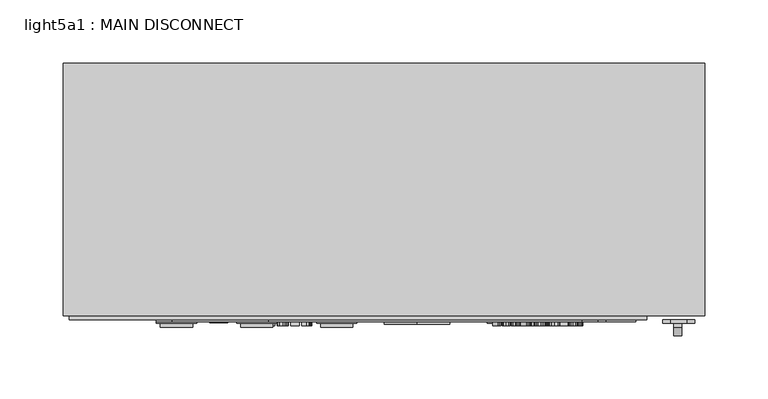
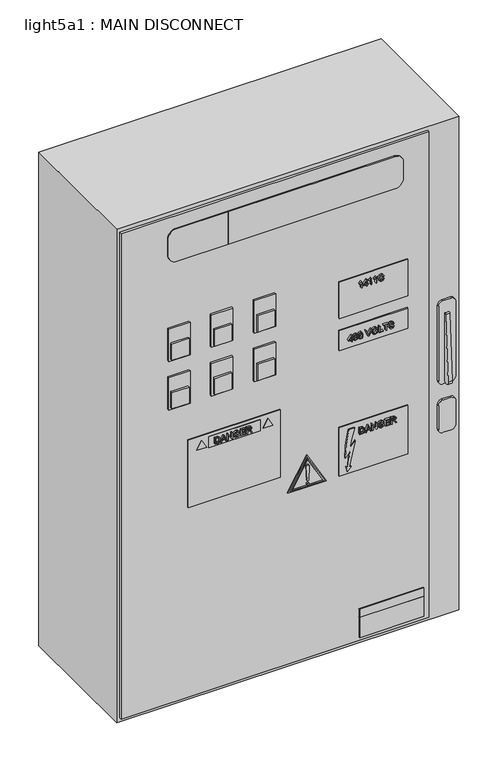
"""IFC4 building model written with IfcOpenShell, lengths in millimetres: proxy geometry, light5a1 : MAIN DISCONNECT."""

import ifcopenshell
import ifcopenshell.guid

model = None  # the IFC model being written
_history = None  # IfcOwnerHistory: only IFC2X3 demands one
_inside = {}  # id of a spatial element -> (the spatial element, [elements in it])
_under = {}  # id of a project, library or spatial element -> (it, [spatial elements below it])
_declared = {}  # id of a project -> (the project, [libraries it declares])
_typed = {}  # id of a type object -> (the type object, [elements of that type])
_made_of = {}  # id of a material, layer set ... -> (it, [elements and type objects made of it])


def new_model(schema):
    """Start an empty IFC model of exactly this schema.

    Asked for "IFC4X3", IfcOpenShell would pick the latest addendum, in which some entities
    have other attributes; the version numbers below select the first issue.
    IFC2X3 requires an IfcOwnerHistory on every rooted entity: one is made here for all.
    """
    global model, _history
    if schema == "IFC4X3":
        model = ifcopenshell.file(schema_version=(4, 3, 0, 0))
    else:
        model = ifcopenshell.file(schema=schema)
    _inside.clear()
    _under.clear()
    _declared.clear()
    _typed.clear()
    _made_of.clear()
    _history = None
    if model.schema == "IFC2X3":
        org = make("IfcOrganization", Name="unknown")
        user = make(
            "IfcPersonAndOrganization",
            ThePerson=make("IfcPerson", FamilyName="unknown"),
            TheOrganization=org,
        )
        app = make(
            "IfcApplication",
            ApplicationDeveloper=org,
            Version="unknown",
            ApplicationFullName="unknown",
            ApplicationIdentifier="unknown",
        )
        _history = make(
            "IfcOwnerHistory",
            OwningUser=user,
            OwningApplication=app,
            ChangeAction="ADDED",
            CreationDate=0,
        )
    return model


def make(cls, **values):
    """One entity of the class cls with the attributes given. An attribute that is None is left unset."""
    return model.create_entity(
        cls, **{name: value for name, value in values.items() if value is not None}
    )


def rooted(cls, **values):
    """An entity with a GlobalId (a new one), such as an element, a storey or a relation."""
    return make(cls, GlobalId=ifcopenshell.guid.new(), OwnerHistory=_history, **values)


def si_unit(unit_type, name, prefix=None):
    """IfcSIUnit, for example si_unit("LENGTHUNIT", "METRE", prefix="MILLI")."""
    return make("IfcSIUnit", UnitType=unit_type, Prefix=prefix, Name=name)


def assignment(units):
    """IfcUnitAssignment: the units of a project."""
    return None if units is None else make("IfcUnitAssignment", Units=units)


def point(xyz):
    """IfcCartesianPoint."""
    return None if xyz is None else make("IfcCartesianPoint", Coordinates=xyz)


def direction(xyz):
    """IfcDirection."""
    return None if xyz is None else make("IfcDirection", DirectionRatios=xyz)


def frame(location, z_axis=None, x_axis=None):
    """IfcAxis2Placement3D, a coordinate frame: its origin and axes. An axis left out is left unset."""
    return make(
        "IfcAxis2Placement3D",
        Location=point(location),
        Axis=direction(z_axis),
        RefDirection=direction(x_axis),
    )


def frame_2d(location, x_axis=None):
    """IfcAxis2Placement2D, a coordinate frame in the plane: its origin and x axis."""
    return make(
        "IfcAxis2Placement2D", Location=point(location), RefDirection=direction(x_axis)
    )


def origin():
    """The frame at (0, 0, 0) with its axes left unset."""
    return frame((0.0, 0.0, 0.0))


def place(relative_to, where):
    """IfcLocalPlacement: puts the frame where relative to a parent placement (None: the world)."""
    return make(
        "IfcLocalPlacement", PlacementRelTo=relative_to, RelativePlacement=where
    )


def context(
    kind, dimensions, precision=None, world=None, true_north=None, identifier=None
):
    """IfcGeometricRepresentationContext, for example the 3D "Model" context."""
    return make(
        "IfcGeometricRepresentationContext",
        ContextIdentifier=identifier,
        ContextType=kind,
        CoordinateSpaceDimension=dimensions,
        Precision=precision,
        WorldCoordinateSystem=world,
        TrueNorth=true_north,
    )


def project(units=None, contexts=None):
    """IfcProject with its units and contexts."""
    return rooted(
        "IfcProject",
        Name="project",
        RepresentationContexts=contexts,
        UnitsInContext=assignment(units),
    )


def spatial(cls, under=None, at=None, **own):
    """A site, building, storey or space (cls), placed at a placement, below another one or the project."""
    s = rooted(cls, ObjectPlacement=at, **own)
    if under is not None:
        _under.setdefault(under.id(), (under, []))[1].append(s)
    return s


def polyline(points):
    """IfcPolyline through the points."""
    return make("IfcPolyline", Points=[point(p) for p in points])


def circle_curve(where, radius):
    """IfcCircle in the frame where."""
    return make("IfcCircle", Position=where, Radius=radius)


def trimmed(basis, trim1, trim2, sense, master):
    """IfcTrimmedCurve: the piece of a basis curve between two trims."""
    return make(
        "IfcTrimmedCurve",
        BasisCurve=basis,
        Trim1=trim1,
        Trim2=trim2,
        SenseAgreement=sense,
        MasterRepresentation=master,
    )


def segment(curve, same_sense, transition):
    """IfcCompositeCurveSegment."""
    return make(
        "IfcCompositeCurveSegment",
        Transition=transition,
        SameSense=same_sense,
        ParentCurve=curve,
    )


def composite_curve(segments, self_intersect=None):
    """IfcCompositeCurve: segments joined end to end."""
    return make("IfcCompositeCurve", Segments=segments, SelfIntersect=self_intersect)


def outline(outer, holes=None, kind="AREA"):
    """IfcArbitraryClosedProfileDef: a profile drawn as a closed curve; with holes, ...WithVoids."""
    if holes is None:
        return make("IfcArbitraryClosedProfileDef", ProfileType=kind, OuterCurve=outer)
    return make(
        "IfcArbitraryProfileDefWithVoids",
        ProfileType=kind,
        OuterCurve=outer,
        InnerCurves=holes,
    )


def extrude(swept, where, along, depth):
    """IfcExtrudedAreaSolid: the profile swept, set in the frame where, extruded along a direction by depth."""
    return make(
        "IfcExtrudedAreaSolid",
        SweptArea=swept,
        Position=where,
        ExtrudedDirection=direction(along),
        Depth=depth,
    )


def shape(context_of_items, identifier, shape_type, items):
    """IfcShapeRepresentation: the items that make up one representation, for example the "Body"."""
    return make(
        "IfcShapeRepresentation",
        ContextOfItems=context_of_items,
        RepresentationIdentifier=identifier,
        RepresentationType=shape_type,
        Items=items,
    )


def source(mapping_origin, context_of_items, identifier, shape_type, items):
    """IfcRepresentationMap: a shape defined once, which mapped items show again and again."""
    return make(
        "IfcRepresentationMap",
        MappingOrigin=mapping_origin,
        MappedRepresentation=shape(context_of_items, identifier, shape_type, items),
    )


def transform(
    local_origin,
    x_axis=None,
    y_axis=None,
    z_axis=None,
    scale=None,
    scale2=None,
    scale3=None,
    uniform=True,
):
    """IfcCartesianTransformationOperator3D, or its non-uniform kind. x_axis, y_axis, z_axis: its Axis1, 2, 3."""
    if uniform:
        return make(
            "IfcCartesianTransformationOperator3D",
            Axis1=direction(x_axis),
            Axis2=direction(y_axis),
            LocalOrigin=point(local_origin),
            Scale=scale,
            Axis3=direction(z_axis),
        )
    return make(
        "IfcCartesianTransformationOperator3DnonUniform",
        Axis1=direction(x_axis),
        Axis2=direction(y_axis),
        LocalOrigin=point(local_origin),
        Scale=scale,
        Axis3=direction(z_axis),
        Scale2=scale2,
        Scale3=scale3,
    )


def mapped(mapping_source, mapping_target):
    """IfcMappedItem: shows the shape of a source again, moved by a transform."""
    return make(
        "IfcMappedItem", MappingSource=mapping_source, MappingTarget=mapping_target
    )


def made_of(thing, what):
    """Note that an element or type object is made of a material, layer set ...; save() writes the relation."""
    if what is not None:
        _made_of.setdefault(what.id(), (what, []))[1].append(thing)
    return thing


def element(
    cls,
    number,
    at=None,
    inside=None,
    cuts=None,
    type_object=None,
    material=None,
    context=None,
    identifier="Body",
    shape_type=None,
    held_by="IfcProductDefinitionShape",
    body=None,
    shapes=None,
    **own,
):
    """One element of the class cls, such as IfcWall. Its Tag is "e" and its number.

    at: its placement. inside: the storey or other place that contains it. cuts: it is an
    opening in that element (IfcRelVoidsElement). A single representation is given by context,
    identifier, shape_type and body (its items); several are given by shapes. held_by: the class
    of the entity that holds the representations. save() writes the other relations.
    """
    e = rooted(cls, Tag="e%d" % number, ObjectPlacement=at, **own)
    if body is not None:
        shapes = [shape(context, identifier, shape_type, body)]
    if shapes is not None:
        e.Representation = make(held_by, Representations=shapes)
    if inside is not None:
        _inside.setdefault(inside.id(), (inside, []))[1].append(e)
    if cuts is not None:
        rooted(
            "IfcRelVoidsElement", RelatingBuildingElement=cuts, RelatedOpeningElement=e
        )
    if type_object is not None:
        _typed.setdefault(type_object.id(), (type_object, []))[1].append(e)
    return made_of(e, material)


def aggregate(whole, parts):
    """IfcRelAggregates: a whole, such as a stair, and the parts it consists of."""
    return rooted("IfcRelAggregates", RelatingObject=whole, RelatedObjects=parts)


def save(model, path):
    """Write the relations noted so far, then the file.

    IfcRelAggregates (storeys below a building ...), IfcRelContainedInSpatialStructure (elements
    in a storey), IfcRelDefinesByType, IfcRelAssociatesMaterial and IfcRelDeclares: one each for
    every whole, place, type object, material and project.
    """
    for whole, parts in _under.values():
        aggregate(whole, parts)
    for where, things in _inside.values():
        rooted(
            "IfcRelContainedInSpatialStructure",
            RelatedElements=things,
            RelatingStructure=where,
        )
    for kind, things in _typed.values():
        rooted("IfcRelDefinesByType", RelatedObjects=things, RelatingType=kind)
    for what, things in _made_of.values():
        rooted("IfcRelAssociatesMaterial", RelatedObjects=things, RelatingMaterial=what)
    for by, libraries in _declared.values():
        rooted("IfcRelDeclares", RelatingContext=by, RelatedDefinitions=libraries)
    model.write(path)


def light5a1_main_disconnect_61085e96(model_context):
    return source(origin(), model_context, "Body", "SweptSolid", [
        extrude(outline(composite_curve([segment(polyline([(-124.3381873, 1511.6831957), (-117.5482469, 1613.9479397)]), True, "CONTINUOUS"), segment(trimmed(circle_curve(frame_2d((-116.114786, 1613.9479397)), 1.4334609), [point((-117.5482469, 1613.9479397))], [point((-114.681325, 1613.9479397))], False, "CARTESIAN"), True, "CONTINUOUS"), segment(polyline([(-114.681325, 1613.9479397), (-114.681325, 1510.4974821)]), True, "CONTINUOUS"), segment(trimmed(circle_curve(frame_2d((-119.5097562, 1511.0903389)), 4.8646918), [point((-114.681325, 1510.4974821))], [point((-124.3381873, 1511.6831957))], False, "CARTESIAN"), True, "CONTINUOUS")], self_intersect=False)), frame((408.6521437, 0.0, 0.0), z_axis=(1.0, 0.0, 0.0), x_axis=(0.0, 1.0, 0.0)), (0.0, 0.0, 1.0), 6.2409672),
        extrude(outline(composite_curve([segment(polyline([(1634.4162783, 418.9127593), (1634.4162783, 406.2127593)]), True, "CONTINUOUS"), segment(trimmed(circle_curve(frame_2d((1628.0662783, 406.2127593)), 6.35), [point((1634.4162783, 406.2127593))], [point((1628.0662783, 399.8627593))], False, "CARTESIAN"), True, "CONTINUOUS"), segment(polyline([(1628.0662783, 399.8627593), (1510.5912783, 399.8627593)]), True, "CONTINUOUS"), segment(trimmed(circle_curve(frame_2d((1510.5912783, 406.2127593)), 6.35), [point((1510.5912783, 399.8627593))], [point((1504.2412783, 406.2127593))], False, "CARTESIAN"), True, "CONTINUOUS"), segment(polyline([(1504.2412783, 406.2127593), (1504.2412783, 418.9127593)]), True, "CONTINUOUS"), segment(trimmed(circle_curve(frame_2d((1510.5912783, 418.9127593)), 6.35), [point((1504.2412783, 418.9127593))], [point((1510.5912783, 425.2627593))], False, "CARTESIAN"), True, "CONTINUOUS"), segment(polyline([(1510.5912783, 425.2627593), (1628.0662783, 425.2627593)]), True, "CONTINUOUS"), segment(trimmed(circle_curve(frame_2d((1628.0662783, 418.9127593)), 6.35), [point((1628.0662783, 425.2627593))], [point((1634.4162783, 418.9127593))], False, "CARTESIAN"), True, "CONTINUOUS")], self_intersect=False)), frame((0.0, -114.681325, 0.0), z_axis=(0.0, 1.0, 0.0), x_axis=(0.0, 0.0, 1.0)), (0.0, 0.0, 1.0), 3.0349721),
        extrude(outline(composite_curve([segment(polyline([(1478.8412783, 418.9127593), (1478.8412783, 406.2127593)]), True, "CONTINUOUS"), segment(trimmed(circle_curve(frame_2d((1472.4912783, 406.2127593)), 6.35), [point((1478.8412783, 406.2127593))], [point((1472.4912783, 399.8627593))], False, "CARTESIAN"), True, "CONTINUOUS"), segment(polyline([(1472.4912783, 399.8627593), (1434.3912783, 399.8627593)]), True, "CONTINUOUS"), segment(trimmed(circle_curve(frame_2d((1434.3912783, 406.2127593)), 6.35), [point((1434.3912783, 399.8627593))], [point((1428.0412783, 406.2127593))], False, "CARTESIAN"), True, "CONTINUOUS"), segment(polyline([(1428.0412783, 406.2127593), (1428.0412783, 418.9127593)]), True, "CONTINUOUS"), segment(trimmed(circle_curve(frame_2d((1434.3912783, 418.9127593)), 6.35), [point((1428.0412783, 418.9127593))], [point((1434.3912783, 425.2627593))], False, "CARTESIAN"), True, "CONTINUOUS"), segment(polyline([(1434.3912783, 425.2627593), (1472.4912783, 425.2627593)]), True, "CONTINUOUS"), segment(trimmed(circle_curve(frame_2d((1472.4912783, 418.9127593)), 6.35), [point((1472.4912783, 425.2627593))], [point((1478.8412783, 418.9127593))], False, "CARTESIAN"), True, "CONTINUOUS")], self_intersect=False)), frame((0.0, -114.681325, 0.0), z_axis=(0.0, 1.0, 0.0), x_axis=(0.0, 0.0, 1.0)), (0.0, 0.0, 1.0), 3.0349721),
        extrude(outline(polyline([(378.6104099, -113.233853), (283.3604099, -113.233853), (283.3604099, -111.646353), (378.6104099, -111.646353), (378.6104099, -113.233853)])), frame((0.0, 0.0, 1180.0666269), z_axis=(0.0, 0.0, 1.0), x_axis=(1.0, 0.0, 0.0)), (0.0, 0.0, 1.0), 12.7),
        extrude(outline(polyline([(378.6104099, -113.233853), (283.3604099, -113.233853), (283.3604099, -111.646353), (378.6104099, -111.646353), (378.6104099, -113.233853)])), frame((0.0, 0.0, 1148.3166269), z_axis=(0.0, 0.0, 1.0), x_axis=(1.0, 0.0, 0.0)), (0.0, 0.0, 1.0), 31.75),
        extrude(outline(polyline([(1539.8118495, 48.5990006), (1527.4385116, 41.4552506), (1527.4385116, 55.7427506), (1539.8118495, 48.5990006)])), frame((0.0, -114.0889487, 0.0), z_axis=(0.0, 1.0, 0.0), x_axis=(0.0, 0.0, 1.0)), (0.0, 0.0, 1.0), 2.4425957),
        extrude(outline(polyline([(1539.8118495, 147.0240006), (1527.4385116, 139.8802506), (1527.4385116, 154.1677506), (1539.8118495, 147.0240006)])), frame((0.0, -114.0889487, 0.0), z_axis=(0.0, 1.0, 0.0), x_axis=(0.0, 0.0, 1.0)), (0.0, 0.0, 1.0), 2.4425957),
        extrude(outline(polyline([(135.7229099, -113.233853), (59.5229099, -113.233853), (59.5229099, -111.646353), (135.7229099, -111.646353), (135.7229099, -113.233853)])), frame((0.0, 0.0, 1524.5541269), z_axis=(0.0, 0.0, 1.0), x_axis=(1.0, 0.0, 0.0)), (0.0, 0.0, 1.0), 17.4625),
        extrude(outline(polyline([(1440.7769729, 29.3604099), (1440.7769729, 165.8801083), (1546.9122176, 165.8801083), (1546.9122176, 29.3604099), (1440.7769729, 29.3604099)]), holes=[polyline([(1542.0166269, 59.5229099), (1542.0166269, 135.7229099), (1524.5541269, 135.7229099), (1524.5541269, 59.5229099), (1542.0166269, 59.5229099)])]), frame((0.0, -113.233853, 0.0), z_axis=(0.0, 1.0, 0.0), x_axis=(0.0, 0.0, 1.0)), (0.0, 0.0, 1.0), 1.5875),
        extrude(outline(polyline([(1528.9423885, 67.3460178), (1528.9423885, 70.7822226), (1529.1048019, 72.3100693), (1529.5816015, 73.4458034), (1530.4435529, 74.3135553), (1531.8275476, 74.9632092), (1533.7451866, 75.2161101), (1536.0050539, 74.8425592), (1537.6291885, 73.7172659), (1538.3090048, 72.3205101), (1538.4458962, 70.6244496), (1538.4458962, 67.3460178), (1528.9423885, 67.3460178)]), holes=[polyline([(1530.1303269, 68.5339563), (1537.2579577, 68.5339563), (1537.2579577, 70.6035678), (1537.0677019, 72.2880274), (1536.0143346, 73.5212097), (1533.7637481, 74.0281717), (1531.9667592, 73.7694702), (1530.7869414, 73.0467303), (1530.3020212, 72.1650572), (1530.1303269, 70.6360505), (1530.1303269, 68.5339563)])]), frame((0.0, -116.408853, 0.0), z_axis=(0.0, 1.0, 0.0), x_axis=(0.0, 0.0, 1.0)), (0.0, 0.0, 1.0), 3.175),
        extrude(outline(polyline([(1528.9423885, 75.7427938), (1528.9423885, 76.9980178), (1531.9122346, 78.0838678), (1531.9122346, 81.9980322), (1528.9423885, 83.0862024), (1528.9423885, 84.3414265), (1538.4458962, 80.5479121), (1538.4458962, 79.5363082), (1528.9423885, 75.7427938)]), holes=[polyline([(1533.1001731, 78.520064), (1535.6407837, 79.4504611), (1537.2579577, 80.0421101), (1535.4366067, 80.7080053), (1533.1001731, 81.5641563), (1533.1001731, 78.520064)])]), frame((0.0, -116.408853, 0.0), z_axis=(0.0, 1.0, 0.0), x_axis=(0.0, 0.0, 1.0)), (0.0, 0.0, 1.0), 3.175),
        extrude(outline(polyline([(1528.9423885, 85.6105717), (1528.9423885, 86.7985101), (1536.4737327, 86.7985101), (1528.9423885, 91.7637217), (1528.9423885, 93.0351871), (1538.4458962, 93.0351871), (1538.4458962, 91.8472486), (1530.9168721, 91.8472486), (1538.4458962, 86.8820371), (1538.4458962, 85.6105717), (1528.9423885, 85.6105717)])), frame((0.0, -116.408853, 0.0), z_axis=(0.0, 1.0, 0.0), x_axis=(0.0, 0.0, 1.0)), (0.0, 0.0, 1.0), 3.175),
        extrude(outline(polyline([(1532.6546962, 99.5688486), (1532.6546962, 102.2417101), (1530.9377539, 102.2417101), (1530.2869399, 101.0386904), (1529.9818346, 99.4133957), (1530.3867082, 97.6024856), (1531.6256909, 96.3031779), (1533.6964625, 95.8565409), (1535.5618971, 96.2277717), (1536.477213, 96.8391423), (1537.1500688, 97.8739481), (1537.40645, 99.3948342), (1537.1686303, 100.7301048), (1536.5352178, 101.6558616), (1535.4366067, 102.1976265), (1535.7451923, 103.2927572), (1537.3171226, 102.5746577), (1538.2568005, 101.2718697), (1538.5943885, 99.4133957), (1538.0120202, 96.9122284), (1536.2312726, 95.2474904), (1533.6477385, 94.6686024), (1531.1210491, 95.2498106), (1529.3913457, 96.9713933), (1528.7938962, 99.5085236), (1529.1697673, 101.5236106), (1530.2904202, 103.4296486), (1533.8426346, 103.4296486), (1533.8426346, 99.5688486), (1532.6546962, 99.5688486)])), frame((0.0, -116.408853, 0.0), z_axis=(0.0, 1.0, 0.0), x_axis=(0.0, 0.0, 1.0)), (0.0, 0.0, 1.0), 3.175),
        extrude(outline(polyline([(1528.9423885, 105.3600486), (1528.9423885, 112.3391871), (1530.1303269, 112.3391871), (1530.1303269, 106.5479871), (1533.2486654, 106.5479871), (1533.2486654, 111.8937101), (1534.4366039, 111.8937101), (1534.4366039, 106.5479871), (1537.2579577, 106.5479871), (1537.2579577, 112.1906947), (1538.4458962, 112.1906947), (1538.4458962, 105.3600486), (1528.9423885, 105.3600486)])), frame((0.0, -116.408853, 0.0), z_axis=(0.0, 1.0, 0.0), x_axis=(0.0, 0.0, 1.0)), (0.0, 0.0, 1.0), 3.175),
        extrude(outline(polyline([(1528.9423885, 114.1210947), (1528.9423885, 115.3090332), (1533.1001731, 115.3090332), (1532.8321909, 117.996976), (1532.2161798, 118.624588), (1530.9122317, 119.5178621), (1528.9423885, 120.7545246), (1528.9423885, 122.135039), (1531.5178019, 120.5503476), (1532.7405433, 119.5874678), (1533.2486654, 118.9122919), (1534.1326587, 120.9018568), (1535.8449606, 121.5457101), (1537.2823197, 121.1570779), (1538.1895149, 120.1176318), (1538.4458962, 118.2162342), (1538.4458962, 114.1210947), (1528.9423885, 114.1210947)]), holes=[polyline([(1534.2881116, 115.3090332), (1537.2579577, 115.3090332), (1537.2579577, 118.2672784), (1536.8472837, 119.85545), (1535.8008769, 120.3577717), (1534.9946101, 120.0944298), (1534.4563255, 119.324126), (1534.2881116, 117.9679736), (1534.2881116, 115.3090332)])]), frame((0.0, -116.408853, 0.0), z_axis=(0.0, 1.0, 0.0), x_axis=(0.0, 0.0, 1.0)), (0.0, 0.0, 1.0), 3.175),
        extrude(outline(composite_curve([segment(polyline([(1481.2181498, 275.047201), (1481.2181498, 266.3417776)]), True, "CONTINUOUS"), segment(trimmed(circle_curve(frame_2d((1439.0604182, 433.5331914)), 172.4246014), [point((1481.2181498, 266.3417776))], [point((1438.6022152, 261.1091988))], False, "CARTESIAN"), True, "CONTINUOUS"), segment(polyline([(1438.6022152, 261.1091988), (1446.0121305, 267.6094695)]), True, "CONTINUOUS"), segment(trimmed(circle_curve(frame_2d((1420.5308251, 405.43371)), 140.1599736), [point((1446.0121305, 267.6094695))], [point((1423.3734189, 265.3025648))], False, "CARTESIAN"), True, "CONTINUOUS"), segment(polyline([(1423.3734189, 265.3025648), (1423.8344634, 262.6878515), (1416.0607039, 264.511431), (1422.460598, 270.4794289), (1423.006071, 267.385898)]), True, "CONTINUOUS"), segment(trimmed(circle_curve(frame_2d((1395.2861898, 473.608675)), 208.0774509), [point((1423.006071, 267.385898))], [point((1460.7738408, 276.1052747))], True, "CARTESIAN"), True, "CONTINUOUS"), segment(polyline([(1460.7738408, 276.1052747), (1451.2741439, 268.1340825)]), True, "CONTINUOUS"), segment(trimmed(circle_curve(frame_2d((1433.8702866, 411.8258991)), 144.7419511), [point((1451.2741439, 268.1340825))], [point((1481.2181498, 275.047201))], True, "CARTESIAN"), True, "CONTINUOUS")], self_intersect=False)), frame((0.0, -114.681325, 0.0), z_axis=(0.0, 1.0, 0.0), x_axis=(0.0, 0.0, 1.0)), (0.0, 0.0, 1.0), 3.0349721),
        extrude(outline(polyline([(1698.7241413, 285.4254081), (1708.227649, 284.6597446), (1706.9631442, 283.602897), (1705.8517721, 281.8615927), (1704.728799, 281.8615927), (1705.3285688, 283.1121763), (1706.1301952, 284.2374696), (1698.7241413, 284.2374696), (1698.7241413, 285.4254081)])), frame((0.0, -116.408853, 0.0), z_axis=(0.0, 1.0, 0.0), x_axis=(0.0, 0.0, 1.0)), (0.0, 0.0, 1.0), 3.175),
        extrude(outline(polyline([(1698.7241413, 292.1075619), (1698.7241413, 293.2955004), (1700.951526, 293.2955004), (1700.951526, 294.4834388), (1702.1394644, 294.4834388), (1702.1394644, 293.2955004), (1708.0791567, 293.2955004), (1708.0791567, 292.4045465), (1702.1394644, 287.801285), (1700.951526, 287.801285), (1700.951526, 292.1075619), (1698.7241413, 292.1075619)]), holes=[polyline([(1702.1394644, 292.1075619), (1702.1394644, 289.2630061), (1705.8100087, 292.1075619), (1702.1394644, 292.1075619)])]), frame((0.0, -116.408853, 0.0), z_axis=(0.0, 1.0, 0.0), x_axis=(0.0, 0.0, 1.0)), (0.0, 0.0, 1.0), 3.175),
        extrude(outline(polyline([(1698.7241413, 299.9776542), (1708.227649, 299.2119908), (1706.9631442, 298.1551432), (1705.8517721, 296.4138388), (1704.728799, 296.4138388), (1705.3285688, 297.6644225), (1706.1301952, 298.7897158), (1698.7241413, 298.7897158), (1698.7241413, 299.9776542)])), frame((0.0, -116.408853, 0.0), z_axis=(0.0, 1.0, 0.0), x_axis=(0.0, 0.0, 1.0)), (0.0, 0.0, 1.0), 3.175),
        extrude(outline(polyline([(1698.7241413, 307.2537773), (1708.227649, 306.4881138), (1706.9631442, 305.4312662), (1705.8517721, 303.6899619), (1704.728799, 303.6899619), (1705.3285688, 304.9405456), (1706.1301952, 306.0658388), (1698.7241413, 306.0658388), (1698.7241413, 307.2537773)])), frame((0.0, -116.408853, 0.0), z_axis=(0.0, 1.0, 0.0), x_axis=(0.0, 0.0, 1.0)), (0.0, 0.0, 1.0), 3.175),
        extrude(outline(polyline([(1702.1023413, 317.2027619), (1700.3529163, 316.1946383), (1699.7635875, 314.3767677), (1700.1963034, 312.7375518), (1701.5037317, 311.6215393), (1703.5501413, 311.2630696), (1705.3158077, 311.5658547), (1706.6800808, 312.6157417), (1707.1882029, 314.4742158), (1706.7299649, 316.0797888), (1705.2694038, 317.0542696), (1705.5524673, 318.2422081), (1707.636, 316.8999768), (1708.3761413, 314.5206196), (1707.8042139, 312.2375504), (1706.1301952, 310.6377778), (1703.5478212, 310.0751311), (1701.0072106, 310.5728124), (1699.1997808, 312.0229326), (1698.575649, 314.4950975), (1699.4004774, 316.9823436), (1701.796076, 318.3907004), (1702.1023413, 317.2027619)])), frame((0.0, -116.408853, 0.0), z_axis=(0.0, 1.0, 0.0), x_axis=(0.0, 0.0, 1.0)), (0.0, 0.0, 1.0), 3.175),
        extrude(outline(polyline([(1469.0386057, 282.0230327), (1469.0386057, 285.4592375), (1469.2010192, 286.9870842), (1469.6778187, 288.1228183), (1470.5397701, 288.9905702), (1471.9237648, 289.6402241), (1473.8414038, 289.893125), (1476.1012711, 289.5195741), (1477.7254057, 288.3942808), (1478.4052221, 286.997525), (1478.5421134, 285.3014644), (1478.5421134, 282.0230327), (1469.0386057, 282.0230327)]), holes=[polyline([(1470.2265442, 283.2109712), (1477.3541749, 283.2109712), (1477.3541749, 285.2805827), (1477.1639192, 286.9650423), (1476.1105519, 288.1982245), (1473.8599653, 288.7051866), (1472.0629764, 288.4464851), (1470.8831586, 287.7237452), (1470.3982384, 286.8420721), (1470.2265442, 285.3130654), (1470.2265442, 283.2109712)])]), frame((0.0, -116.408853, 0.0), z_axis=(0.0, 1.0, 0.0), x_axis=(0.0, 0.0, 1.0)), (0.0, 0.0, 1.0), 3.175),
        extrude(outline(polyline([(1469.0386057, 290.4198087), (1469.0386057, 291.6750327), (1472.0084519, 292.7608827), (1472.0084519, 296.6750471), (1469.0386057, 297.7632173), (1469.0386057, 299.0184414), (1478.5421134, 295.2249269), (1478.5421134, 294.2133231), (1469.0386057, 290.4198087)]), holes=[polyline([(1473.1963903, 293.1970789), (1475.7370009, 294.127476), (1477.3541749, 294.719125), (1475.532824, 295.3850202), (1473.1963903, 296.2411712), (1473.1963903, 293.1970789)])]), frame((0.0, -116.408853, 0.0), z_axis=(0.0, 1.0, 0.0), x_axis=(0.0, 0.0, 1.0)), (0.0, 0.0, 1.0), 3.175),
        extrude(outline(polyline([(1469.0386057, 300.2875866), (1469.0386057, 301.475525), (1476.5699499, 301.475525), (1469.0386057, 306.4407366), (1469.0386057, 307.7122019), (1478.5421134, 307.7122019), (1478.5421134, 306.5242635), (1471.0130894, 306.5242635), (1478.5421134, 301.5590519), (1478.5421134, 300.2875866), (1469.0386057, 300.2875866)])), frame((0.0, -116.408853, 0.0), z_axis=(0.0, 1.0, 0.0), x_axis=(0.0, 0.0, 1.0)), (0.0, 0.0, 1.0), 3.175),
        extrude(outline(polyline([(1472.7509134, 314.2458635), (1472.7509134, 316.918725), (1471.0339711, 316.918725), (1470.3831571, 315.7157053), (1470.0780519, 314.0904106), (1470.4829254, 312.2795005), (1471.7219081, 310.9801928), (1473.7926797, 310.5335558), (1475.6581144, 310.9047866), (1476.5734302, 311.5161572), (1477.246286, 312.550963), (1477.5026672, 314.0718491), (1477.2648475, 315.4071197), (1476.631435, 316.3328765), (1475.532824, 316.8746414), (1475.8414096, 317.9697721), (1477.4133398, 317.2516726), (1478.3530177, 315.9488846), (1478.6906057, 314.0904106), (1478.1082374, 311.5892433), (1476.3274898, 309.9245053), (1473.7439557, 309.3456173), (1471.2172663, 309.9268255), (1469.4875629, 311.6484082), (1468.8901134, 314.1855385), (1469.2659846, 316.2006255), (1470.3866374, 318.1066635), (1473.9388519, 318.1066635), (1473.9388519, 314.2458635), (1472.7509134, 314.2458635)])), frame((0.0, -116.408853, 0.0), z_axis=(0.0, 1.0, 0.0), x_axis=(0.0, 0.0, 1.0)), (0.0, 0.0, 1.0), 3.175),
        extrude(outline(polyline([(1469.0386057, 320.0370635), (1469.0386057, 327.0162019), (1470.2265442, 327.0162019), (1470.2265442, 321.2250019), (1473.3448826, 321.2250019), (1473.3448826, 326.570725), (1474.5328211, 326.570725), (1474.5328211, 321.2250019), (1477.3541749, 321.2250019), (1477.3541749, 326.8677096), (1478.5421134, 326.8677096), (1478.5421134, 320.0370635), (1469.0386057, 320.0370635)])), frame((0.0, -116.408853, 0.0), z_axis=(0.0, 1.0, 0.0), x_axis=(0.0, 0.0, 1.0)), (0.0, 0.0, 1.0), 3.175),
        extrude(outline(polyline([(1469.0386057, 328.7981096), (1469.0386057, 329.9860481), (1473.1963903, 329.9860481), (1472.9284081, 332.6739909), (1472.3123971, 333.3016029), (1471.008449, 334.1948769), (1469.0386057, 335.4315394), (1469.0386057, 336.8120539), (1471.6140192, 335.2273625), (1472.8367605, 334.2644827), (1473.3448826, 333.5893068), (1474.2288759, 335.5788717), (1475.9411778, 336.222725), (1477.378537, 335.8340928), (1478.2857321, 334.7946467), (1478.5421134, 332.8932491), (1478.5421134, 328.7981096), (1469.0386057, 328.7981096)]), holes=[polyline([(1474.3843288, 329.9860481), (1477.3541749, 329.9860481), (1477.3541749, 332.9442933), (1476.9435009, 334.5324649), (1475.8970942, 335.0347866), (1475.0908273, 334.7714447), (1474.5525427, 334.0011409), (1474.3843288, 332.6449885), (1474.3843288, 329.9860481)])]), frame((0.0, -116.408853, 0.0), z_axis=(0.0, 1.0, 0.0), x_axis=(0.0, 0.0, 1.0)), (0.0, 0.0, 1.0), 3.175),
        extrude(outline(polyline([(354.7979099, -113.233853), (253.1979099, -113.233853), (253.1979099, -111.646353), (354.7979099, -111.646353), (354.7979099, -113.233853)])), frame((0.0, 0.0, 1411.8416269), z_axis=(0.0, 0.0, 1.0), x_axis=(1.0, 0.0, 0.0)), (0.0, 0.0, 1.0), 76.2),
        extrude(outline(polyline([(1413.4291269, 179.7475406), (1413.4291269, 231.3982793), (1458.1599788, 205.5729099), (1413.4291269, 179.7475406)]), holes=[polyline([(1415.0166269, 182.4971712), (1454.9849788, 205.5729099), (1415.0166269, 228.6486486), (1415.0166269, 182.4971712)])]), frame((0.0, -115.1507137, 0.0), z_axis=(0.0, 1.0, 0.0), x_axis=(0.0, 0.0, 1.0)), (0.0, 0.0, 1.0), 3.5043607),
        extrude(outline(composite_curve([segment(trimmed(circle_curve(frame_2d((1417.82111, 205.5729099)), 1.4917322), [point((1417.82111, 204.0811777))], [point((1417.82111, 207.0646421))], False, "CARTESIAN"), True, "CONTINUOUS"), segment(trimmed(circle_curve(frame_2d((1417.82111, 205.5729099)), 1.4917322), [point((1417.82111, 207.0646421))], [point((1417.82111, 204.0811777))], False, "CARTESIAN"), True, "CONTINUOUS")], self_intersect=False)), frame((0.0, -115.1507137, 0.0), z_axis=(0.0, 1.0, 0.0), x_axis=(0.0, 0.0, 1.0)), (0.0, 0.0, 1.0), 3.5043607),
        extrude(outline(composite_curve([segment(polyline([(1445.3559038, 203.3986316), (1423.4625384, 204.5838864)]), True, "CONTINUOUS"), segment(trimmed(circle_curve(frame_2d((1423.5160818, 205.5729099)), 0.9904718), [point((1423.4625384, 204.5838864))], [point((1423.4625384, 206.5619334))], False, "CARTESIAN"), True, "CONTINUOUS"), segment(polyline([(1423.4625384, 206.5619334), (1445.3559038, 207.7471883)]), True, "CONTINUOUS"), segment(trimmed(circle_curve(frame_2d((1445.3559038, 205.5729099)), 2.1742784), [point((1445.3559038, 207.7471883))], [point((1445.3559038, 203.3986316))], False, "CARTESIAN"), True, "CONTINUOUS")], self_intersect=False)), frame((0.0, -115.1507137, 0.0), z_axis=(0.0, 1.0, 0.0), x_axis=(0.0, 0.0, 1.0)), (0.0, 0.0, 1.0), 3.5043607),
        extrude(outline(polyline([(1461.3349788, 205.5729099), (1411.8416269, 176.9979099), (1411.8416269, 234.1479099), (1461.3349788, 205.5729099)])), frame((0.0, -113.233853, 0.0), z_axis=(0.0, 1.0, 0.0), x_axis=(0.0, 0.0, 1.0)), (0.0, 0.0, 1.0), 1.5875),
        extrude(outline(polyline([(1619.1987412, 269.5917626), (1619.1987412, 270.779701), (1621.4261259, 270.779701), (1621.4261259, 271.9676395), (1622.6140643, 271.9676395), (1622.6140643, 270.779701), (1628.5537566, 270.779701), (1628.5537566, 269.8887472), (1622.6140643, 265.2854856), (1621.4261259, 265.2854856), (1621.4261259, 269.5917626), (1619.1987412, 269.5917626)]), holes=[polyline([(1622.6140643, 269.5917626), (1622.6140643, 266.7472068), (1626.2846085, 269.5917626), (1622.6140643, 269.5917626)])]), frame((0.0, -116.408853, 0.0), z_axis=(0.0, 1.0, 0.0), x_axis=(0.0, 0.0, 1.0)), (0.0, 0.0, 1.0), 3.175),
        extrude(outline(polyline([(1624.4330951, 274.7379491), (1623.5699835, 273.457203), (1621.9968932, 273.0070856), (1619.8936388, 273.8655568), (1619.0502489, 276.1254241), (1619.8901585, 278.3852914), (1621.9644105, 279.2437626), (1623.5015379, 278.8110467), (1624.4330951, 277.547702), (1625.1674359, 278.5999092), (1626.2869287, 278.946778), (1627.9992307, 278.1671933), (1628.7022489, 276.1091828), (1628.015472, 274.0697337), (1626.3194114, 273.3040703), (1625.1709162, 273.6555794), (1624.4330951, 274.7379491)]), holes=[polyline([(1626.2846085, 274.4920087), (1627.1523605, 274.9200842), (1627.5143105, 276.1254241), (1627.1442398, 277.3272837), (1626.2312441, 277.7588395), (1625.349571, 277.3412049), (1624.9899412, 276.1393453), (1625.3518912, 274.9131236), (1626.2846085, 274.4920087)]), polyline([(1622.0386566, 274.1950241), (1623.298521, 274.6973457), (1623.8020028, 276.0952616), (1623.2915605, 277.5337808), (1622.0015335, 278.0558241), (1620.7358686, 277.5500222), (1620.2381874, 276.1347049), (1620.474847, 275.0952587), (1621.1442225, 274.3934005), (1622.0386566, 274.1950241)])]), frame((0.0, -116.408853, 0.0), z_axis=(0.0, 1.0, 0.0), x_axis=(0.0, 0.0, 1.0)), (0.0, 0.0, 1.0), 3.175),
        extrude(outline(polyline([(1623.8739287, 280.2832087), (1619.9551239, 281.2298472), (1619.0502489, 283.4015472), (1619.5711321, 285.1405313), (1621.1511831, 286.174177), (1623.8739287, 286.5198856), (1626.1071138, 286.3041078), (1627.5131504, 285.7472616), (1628.3959835, 284.7890222), (1628.7022489, 283.4015472), (1628.184846, 281.6695236), (1626.6082754, 280.6323977), (1623.8739287, 280.2832087)]), holes=[polyline([(1623.8762489, 281.4711472), (1626.8785778, 282.0465549), (1627.5143105, 283.387626), (1626.7927307, 284.7936626), (1623.8762489, 285.3319472), (1620.9284446, 284.775101), (1620.2381874, 283.4015472), (1620.9261244, 282.0279933), (1623.8762489, 281.4711472)])]), frame((0.0, -116.408853, 0.0), z_axis=(0.0, 1.0, 0.0), x_axis=(0.0, 0.0, 1.0)), (0.0, 0.0, 1.0), 3.175),
        extrude(outline(polyline([(1619.1987412, 294.5245491), (1619.1987412, 295.7519308), (1628.7022489, 299.373751), (1628.7022489, 298.1022856), (1621.8553614, 295.5639953), (1620.3124335, 295.0581933), (1621.8553614, 294.5454308), (1628.7022489, 292.014101), (1628.7022489, 290.7426356), (1619.1987412, 294.5245491)])), frame((0.0, -116.408853, 0.0), z_axis=(0.0, 1.0, 0.0), x_axis=(0.0, 0.0, 1.0)), (0.0, 0.0, 1.0), 3.175),
        extrude(outline(polyline([(1623.8252047, 300.0326856), (1621.4597686, 300.5756106), (1619.6964225, 302.171903), (1619.0502489, 304.561701), (1619.6349374, 306.8621717), (1621.3565201, 308.5095082), (1623.9342537, 309.0907164), (1626.4771845, 308.5385106), (1628.2242893, 306.9329376), (1628.8507412, 304.5686616), (1627.5166307, 301.2995106), (1623.8252047, 300.0326856)]), holes=[polyline([(1623.8136037, 301.2206241), (1626.7753292, 302.2113462), (1627.6628028, 304.5756222), (1627.2022446, 306.3192467), (1625.904097, 307.4990645), (1623.9435345, 307.902778), (1621.2033874, 306.9596198), (1620.2381874, 304.5547405), (1621.1941066, 302.1707429), (1623.8136037, 301.2206241)])]), frame((0.0, -116.408853, 0.0), z_axis=(0.0, 1.0, 0.0), x_axis=(0.0, 0.0, 1.0)), (0.0, 0.0, 1.0), 3.175),
        extrude(outline(polyline([(1619.1987412, 310.7241318), (1619.1987412, 316.6638241), (1620.3866797, 316.6638241), (1620.3866797, 311.9120703), (1628.7022489, 311.9120703), (1628.7022489, 310.7241318), (1619.1987412, 310.7241318)])), frame((0.0, -116.408853, 0.0), z_axis=(0.0, 1.0, 0.0), x_axis=(0.0, 0.0, 1.0)), (0.0, 0.0, 1.0), 3.175),
        extrude(outline(polyline([(1619.1987412, 320.3761318), (1619.1987412, 321.5640703), (1627.5143105, 321.5640703), (1627.5143105, 324.6824087), (1628.7022489, 324.6824087), (1628.7022489, 317.2577933), (1627.5143105, 317.2577933), (1627.5143105, 320.3761318), (1619.1987412, 320.3761318)])), frame((0.0, -116.408853, 0.0), z_axis=(0.0, 1.0, 0.0), x_axis=(0.0, 0.0, 1.0)), (0.0, 0.0, 1.0), 3.175),
        extrude(outline(polyline([(1622.465572, 325.5733626), (1620.6511816, 326.0861251), (1619.449322, 327.4283563), (1619.0502489, 329.5501722), (1619.4203196, 331.3471611), (1620.4574456, 332.5722227), (1621.8785634, 332.997978), (1623.2219547, 332.6279073), (1624.1848345, 331.478252), (1624.7811239, 329.3761578), (1625.4446989, 327.436477), (1626.2683672, 327.0582856), (1627.2544489, 327.5919299), (1627.6628028, 329.2926308), (1627.2498085, 330.9886914), (1626.0293874, 331.6615472), (1626.0293874, 332.8494856), (1627.5166307, 332.3784866), (1628.5119932, 331.1255828), (1628.8507412, 329.246227), (1628.5270744, 327.485201), (1627.5781158, 326.2821813), (1626.2335643, 325.8703472), (1625.0525864, 326.2032948), (1624.1685932, 327.2137385), (1623.5827446, 329.0756929), (1623.129147, 330.8053962), (1621.8484009, 331.8100395), (1621.0514148, 331.5466977), (1620.4551254, 330.7450712), (1620.2381874, 329.5037683), (1620.5247311, 328.0791703), (1621.2764734, 327.1441328), (1622.465572, 326.761301), (1622.465572, 325.5733626)])), frame((0.0, -116.408853, 0.0), z_axis=(0.0, 1.0, 0.0), x_axis=(0.0, 0.0, 1.0)), (0.0, 0.0, 1.0), 3.175),
        extrude(outline(polyline([(354.7979099, -113.233853), (253.1979099, -113.233853), (253.1979099, -111.646353), (354.7979099, -111.646353), (354.7979099, -113.233853)])), frame((0.0, 0.0, 1608.6916269), z_axis=(0.0, 0.0, 1.0), x_axis=(1.0, 0.0, 0.0)), (0.0, 0.0, 1.0), 31.75),
        extrude(outline(polyline([(354.7979099, -113.233853), (253.1979099, -113.233853), (253.1979099, -111.646353), (354.7979099, -111.646353), (354.7979099, -113.233853)])), frame((0.0, 0.0, 1659.4916269), z_axis=(0.0, 0.0, 1.0), x_axis=(1.0, 0.0, 0.0)), (0.0, 0.0, 1.0), 57.15),
        extrude(outline(polyline([(27.7676083, -117.5482469), (2.3676083, -117.5482469), (2.3676083, -111.646353), (27.7676083, -111.646353), (27.7676083, -117.5482469)])), frame((0.0, 0.0, 1608.1735618), z_axis=(0.0, 0.0, 1.0), x_axis=(1.0, 0.0, 0.0)), (0.0, 0.0, 1.0), 25.4),
        extrude(outline(polyline([(30.9479099, -114.681325), (-0.8020901, -114.681325), (-0.8020901, -111.646353), (30.9479099, -111.646353), (30.9479099, -114.681325)])), frame((0.0, 0.0, 1605.5166269), z_axis=(0.0, 0.0, 1.0), x_axis=(1.0, 0.0, 0.0)), (0.0, 0.0, 1.0), 50.8),
        extrude(outline(polyline([(91.2676083, -117.5482469), (65.8676083, -117.5482469), (65.8676083, -111.646353), (91.2676083, -111.646353), (91.2676083, -117.5482469)])), frame((0.0, 0.0, 1608.1735618), z_axis=(0.0, 0.0, 1.0), x_axis=(1.0, 0.0, 0.0)), (0.0, 0.0, 1.0), 25.4),
        extrude(outline(polyline([(94.4479099, -114.681325), (62.6979099, -114.681325), (62.6979099, -111.646353), (94.4479099, -111.646353), (94.4479099, -114.681325)])), frame((0.0, 0.0, 1605.5166269), z_axis=(0.0, 0.0, 1.0), x_axis=(1.0, 0.0, 0.0)), (0.0, 0.0, 1.0), 50.8),
        extrude(outline(polyline([(154.7676083, -117.5482469), (129.3676083, -117.5482469), (129.3676083, -111.646353), (154.7676083, -111.646353), (154.7676083, -117.5482469)])), frame((0.0, 0.0, 1608.1735618), z_axis=(0.0, 0.0, 1.0), x_axis=(1.0, 0.0, 0.0)), (0.0, 0.0, 1.0), 25.4),
        extrude(outline(polyline([(157.9479099, -114.681325), (126.1979099, -114.681325), (126.1979099, -111.646353), (157.9479099, -111.646353), (157.9479099, -114.681325)])), frame((0.0, 0.0, 1605.5166269), z_axis=(0.0, 0.0, 1.0), x_axis=(1.0, 0.0, 0.0)), (0.0, 0.0, 1.0), 50.8),
        extrude(outline(polyline([(154.7676083, -117.5482469), (129.3676083, -117.5482469), (129.3676083, -111.646353), (154.7676083, -111.646353), (154.7676083, -117.5482469)])), frame((0.0, 0.0, 1684.3735618), z_axis=(0.0, 0.0, 1.0), x_axis=(1.0, 0.0, 0.0)), (0.0, 0.0, 1.0), 25.4),
        extrude(outline(polyline([(157.9479099, -114.681325), (126.1979099, -114.681325), (126.1979099, -111.646353), (157.9479099, -111.646353), (157.9479099, -114.681325)])), frame((0.0, 0.0, 1681.7166269), z_axis=(0.0, 0.0, 1.0), x_axis=(1.0, 0.0, 0.0)), (0.0, 0.0, 1.0), 50.8),
        extrude(outline(polyline([(91.2676083, -117.5482469), (65.8676083, -117.5482469), (65.8676083, -111.646353), (91.2676083, -111.646353), (91.2676083, -117.5482469)])), frame((0.0, 0.0, 1684.3735618), z_axis=(0.0, 0.0, 1.0), x_axis=(1.0, 0.0, 0.0)), (0.0, 0.0, 1.0), 25.4),
        extrude(outline(polyline([(94.4479099, -114.681325), (62.6979099, -114.681325), (62.6979099, -111.646353), (94.4479099, -111.646353), (94.4479099, -114.681325)])), frame((0.0, 0.0, 1681.7166269), z_axis=(0.0, 0.0, 1.0), x_axis=(1.0, 0.0, 0.0)), (0.0, 0.0, 1.0), 50.8),
        extrude(outline(polyline([(27.7676083, -117.5482469), (2.3676083, -117.5482469), (2.3676083, -111.646353), (27.7676083, -111.646353), (27.7676083, -117.5482469)])), frame((0.0, 0.0, 1684.3735618), z_axis=(0.0, 0.0, 1.0), x_axis=(1.0, 0.0, 0.0)), (0.0, 0.0, 1.0), 25.4),
        extrude(outline(polyline([(30.9479099, -114.681325), (-0.8020901, -114.681325), (-0.8020901, -111.646353), (30.9479099, -111.646353), (30.9479099, -114.681325)])), frame((0.0, 0.0, 1681.7166269), z_axis=(0.0, 0.0, 1.0), x_axis=(1.0, 0.0, 0.0)), (0.0, 0.0, 1.0), 50.8),
        extrude(outline(composite_curve([segment(polyline([(1834.1166269, 88.0979099), (1834.1166269, 335.7479099)]), True, "CONTINUOUS"), segment(trimmed(circle_curve(frame_2d((1846.8166269, 335.7479099)), 12.7), [point((1834.1166269, 335.7479099))], [point((1846.8166269, 348.4479099))], False, "CARTESIAN"), True, "CONTINUOUS"), segment(polyline([(1846.8166269, 348.4479099), (1872.2166269, 348.4479099)]), True, "CONTINUOUS"), segment(trimmed(circle_curve(frame_2d((1872.2166269, 335.7479099)), 12.7), [point((1872.2166269, 348.4479099))], [point((1884.9166269, 335.7479099))], False, "CARTESIAN"), True, "CONTINUOUS"), segment(polyline([(1884.9166269, 335.7479099), (1884.9166269, 88.0979099), (1834.1166269, 88.0979099)]), True, "CONTINUOUS")], self_intersect=False)), frame((0.0, -113.233853, 0.0), z_axis=(0.0, 1.0, 0.0), x_axis=(0.0, 0.0, 1.0)), (0.0, 0.0, 1.0), 1.5875),
        extrude(outline(composite_curve([segment(polyline([(1834.1166269, 88.0979099), (1884.9166269, 88.0979099), (1884.9166269, 11.8979099)]), True, "CONTINUOUS"), segment(trimmed(circle_curve(frame_2d((1872.2166269, 11.8979099)), 12.7), [point((1884.9166269, 11.8979099))], [point((1872.2166269, -0.8020901))], False, "CARTESIAN"), True, "CONTINUOUS"), segment(polyline([(1872.2166269, -0.8020901), (1846.8166269, -0.8020901)]), True, "CONTINUOUS"), segment(trimmed(circle_curve(frame_2d((1846.8166269, 11.8979099)), 12.7), [point((1846.8166269, -0.8020901))], [point((1834.1166269, 11.8979099))], False, "CARTESIAN"), True, "CONTINUOUS"), segment(polyline([(1834.1166269, 11.8979099), (1834.1166269, 88.0979099)]), True, "CONTINUOUS")], self_intersect=False)), frame((0.0, -113.233853, 0.0), z_axis=(0.0, 1.0, 0.0), x_axis=(0.0, 0.0, 1.0)), (0.0, 0.0, 1.0), 1.5875),
        extrude(outline(polyline([(387.35, -111.646353), (-69.85, -111.646353), (-69.85, -108.471353), (387.35, -108.471353), (387.35, -111.646353)])), frame((0.0, 0.0, 1143.0), z_axis=(0.0, 0.0, 1.0), x_axis=(1.0, 0.0, 0.0)), (0.0, 0.0, 1.0), 762.0),
        extrude(outline(polyline([(433.3693622, -108.471353), (-74.6306378, -108.471353), (-74.6306378, 91.3029439), (433.3693622, 91.3029439), (433.3693622, -108.471353)])), frame((0.0, 0.0, 1136.65), z_axis=(0.0, 0.0, 1.0), x_axis=(1.0, 0.0, 0.0)), (0.0, 0.0, 1.0), 774.7),
    ])


if __name__ == "__main__":
    model = new_model("IFC4")
    model_context = context("Model", 3, world=origin())
    ifc_project = project(units=[si_unit("LENGTHUNIT", "METRE", prefix="MILLI")], contexts=[model_context])
    site = spatial("IfcSite", under=ifc_project)
    building = spatial("IfcBuilding", under=site)
    placement = place(None, origin())
    light5a1_main_disconnect_shape = light5a1_main_disconnect_61085e96(model_context)
    element("IfcBuildingElementProxy", 1, Name="light5a1 : MAIN DISCONNECT", ObjectType="light5a1 : MAIN DISCONNECT", at=placement, inside=building, context=model_context, shape_type="MappedRepresentation", body=[
        mapped(light5a1_main_disconnect_shape, transform((0.0, 0.0, 0.0), x_axis=(1.0, 0.0, 0.0), y_axis=(0.0, 1.0, 0.0), z_axis=(0.0, 0.0, 1.0))),
    ])
    save(model, "model.ifc")
